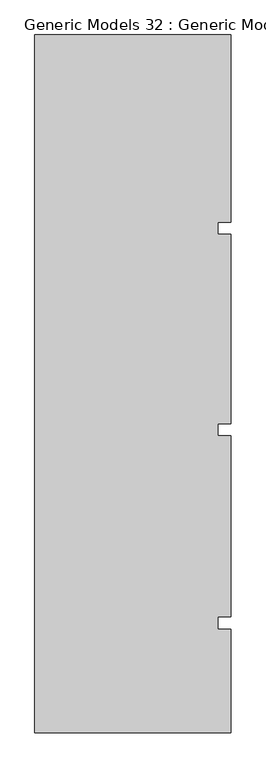
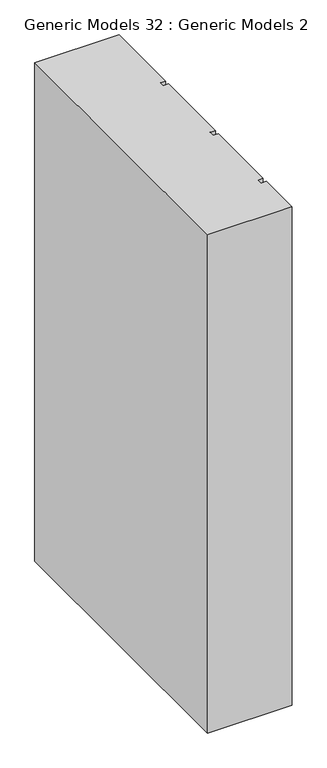
"""IFC4 building model written with IfcOpenShell, lengths in millimetres: proxy geometry, Generic Models 32 : Generic Models 2."""

from ifc_helpers import new_model, si_unit, frame, origin, place, context, project, spatial, polyline, outline, extrude, source, transform, mapped, element, save


def generic_models_32_generic_models_2_615f8ca8(model_context):
    return source(origin(), model_context, "Body", "SweptSolid", [
        extrude(outline(polyline([(6158.9891931, -239.4418036), (6646.0314083, -239.4418036), (6646.0314083, -703.851216), (6614.3889077, -703.851216), (6614.3889077, -733.8846489), (6646.0314083, -733.8846489), (6646.0314083, -1203.851216), (6614.3889077, -1203.851216), (6614.3889077, -1233.8846489), (6646.0314083, -1233.8846489), (6646.0314083, -1683.851216), (6614.3889077, -1683.851216), (6614.3889077, -1713.8846489), (6646.0314083, -1713.8846489), (6646.0314083, -1971.439837), (6158.9891931, -1971.439837), (6158.9891931, -239.4418036)])), frame((0.0, 0.0, 12000.0), z_axis=(0.0, 0.0, 1.0), x_axis=(1.0, 0.0, 0.0)), (0.0, 0.0, 1.0), 3044.7067261),
    ])


if __name__ == "__main__":
    model = new_model("IFC4")
    model_context = context("Model", 3, world=origin())
    ifc_project = project(units=[si_unit("LENGTHUNIT", "METRE", prefix="MILLI")], contexts=[model_context])
    site = spatial("IfcSite", under=ifc_project)
    building = spatial("IfcBuilding", under=site)
    placement = place(None, origin())
    generic_models_32_generic_models_2_shape = generic_models_32_generic_models_2_615f8ca8(model_context)
    element("IfcBuildingElementProxy", 1, Name="Generic Models 32 : Generic Models 2", ObjectType="Generic Models 32 : Generic Models 2", at=placement, inside=building, context=model_context, shape_type="MappedRepresentation", body=[
        mapped(generic_models_32_generic_models_2_shape, transform((0.0, 0.0, 0.0), x_axis=(1.0, 0.0, 0.0), y_axis=(0.0, 1.0, 0.0), z_axis=(0.0, 0.0, 1.0))),
    ])
    save(model, "model.ifc")
